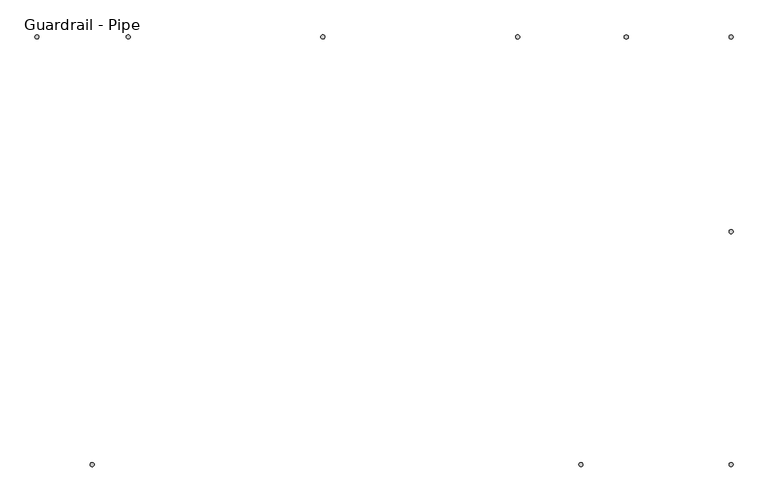
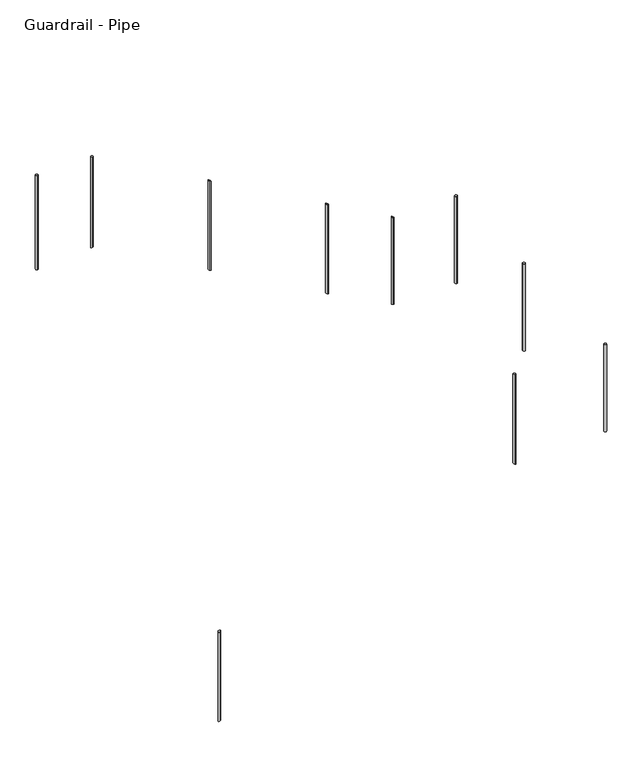
"""IFC4 building model written with IfcOpenShell, lengths in millimetres: railing geometry, Guardrail - Pipe."""

from ifc_helpers import new_model, si_unit, point, frame, frame_2d, origin, place, context, project, spatial, circle_curve, ellipse_curve, trimmed, segment, composite_curve, outline, extrude, source, transform, mapped, element, save
from ifc_brep_helpers import plane_surface, cylinder_surface, advanced_brep


def guardrail_pipe_5d9dda6a(model_context):
    return source(origin(), model_context, "Body", "SolidModel", [
        extrude(outline(composite_curve([segment(trimmed(circle_curve(frame_2d((6728.7452881, -22302.0340928)), 12.7), [point((6716.0452881, -22302.0340928))], [point((6741.4452881, -22302.0340928))], False, "CARTESIAN"), True, "CONTINUOUS"), segment(trimmed(circle_curve(frame_2d((6728.7452881, -22302.0340928)), 12.7), [point((6741.4452881, -22302.0340928))], [point((6716.0452881, -22302.0340928))], False, "CARTESIAN"), True, "CONTINUOUS")], self_intersect=False)), frame((0.0, 0.0, 5946.9130435), z_axis=(0.0, 0.0, 1.0), x_axis=(1.0, 0.0, 0.0)), (0.0, 0.0, 1.0), 952.5),
        advanced_brep(
        [(5392.1904629, -21070.1340928, 7275.3978312), (5392.1904629, -21095.5340928, 7275.3978312), (5392.1904629, -21095.5340928, 6300.8777259), (5392.1904629, -21070.1340928, 6300.8777259)],
        [
            (0, 1, ellipse_curve(frame((5392.1904629, -21082.8340928, 7275.3978312), z_axis=(-0.4892060854708135, 0.0, -0.8721682211238398), x_axis=(-0.87216822112384, 0.0, 0.48920608547081335)), 14.5614111, 12.7)),
            (1, 2),
            (2, 3, ellipse_curve(frame((5392.1904629, -21082.8340928, 6300.8777259), z_axis=(0.4886065085000147, 0.0, 0.872504257784124), x_axis=(-0.872504257784124, 0.0, 0.4886065085000147)), 14.5558029, 12.7)),
            (3, 0),
            (3, 2, ellipse_curve(frame((5392.1904629, -21082.8340928, 6300.8777259), z_axis=(0.4886065085000147, 0.0, 0.872504257784124), x_axis=(-0.872504257784124, 0.0, 0.4886065085000147)), 14.5558029, 12.7)),
            (1, 0, ellipse_curve(frame((5392.1904629, -21082.8340928, 7275.3978312), z_axis=(-0.4892060854708135, 0.0, -0.8721682211238398), x_axis=(-0.87216822112384, 0.0, 0.48920608547081335)), 14.5614111, 12.7)),
        ],
        [
            cylinder_surface(frame((5392.1904629, -21082.8340928, 6072.2777259), z_axis=(0.0, 0.0, 1.0), x_axis=(0.0, -1.0, 0.0)), 12.7),
            plane_surface(frame((5417.5904629, -21108.2340928, 7261.1507694), z_axis=(0.4892060854708135, 0.0, 0.8721682211238398), x_axis=(0.0, 1.0, 0.0))),
            plane_surface(frame((5366.7904629, -21108.2340928, 6315.1018459), z_axis=(-0.4886065085000147, 0.0, -0.872504257784124), x_axis=(0.0, 1.0, 0.0))),
        ],
        [
            (0, [[1, 2, 3, 4]]),
            (0, [[5, -2, 6, -4]]),
            (1, [[-6, -1]]),
            (2, [[-5, -3]]),
        ],
    ),
        advanced_brep(
        [(4172.9904629, -21070.1340928, 7959.256799), (4172.9904629, -21095.5340928, 7959.256799), (4172.9904629, -21095.5340928, 6983.6354888), (4172.9904629, -21070.1340928, 6983.6354888)],
        [
            (0, 1, ellipse_curve(frame((4172.9904629, -21082.8340928, 7959.256799), z_axis=(-0.4892060854708135, 0.0, -0.8721682211238398), x_axis=(-0.87216822112384, 0.0, 0.48920608547081335)), 14.5614111, 12.7)),
            (1, 2),
            (2, 3, ellipse_curve(frame((4172.9904629, -21082.8340928, 6983.6354888), z_axis=(0.4886065085000147, 0.0, 0.872504257784124), x_axis=(-0.872504257784124, 0.0, 0.4886065085000147)), 14.5558029, 12.7)),
            (3, 0),
            (3, 2, ellipse_curve(frame((4172.9904629, -21082.8340928, 6983.6354888), z_axis=(0.4886065085000147, 0.0, 0.872504257784124), x_axis=(-0.872504257784124, 0.0, 0.4886065085000147)), 14.5558029, 12.7)),
            (1, 0, ellipse_curve(frame((4172.9904629, -21082.8340928, 7959.256799), z_axis=(-0.4892060854708135, 0.0, -0.8721682211238398), x_axis=(-0.87216822112384, 0.0, 0.48920608547081335)), 14.5614111, 12.7)),
        ],
        [
            cylinder_surface(frame((4172.9904629, -21082.8340928, 6755.0354888), z_axis=(0.0, 0.0, 1.0), x_axis=(0.0, -1.0, 0.0)), 12.7),
            plane_surface(frame((4198.3904629, -21108.2340928, 7945.0097372), z_axis=(0.4892060854708135, 0.0, 0.8721682211238398), x_axis=(0.0, 1.0, 0.0))),
            plane_surface(frame((4147.5904629, -21108.2340928, 6997.8596088), z_axis=(-0.4886065085000147, 0.0, -0.872504257784124), x_axis=(0.0, 1.0, 0.0))),
        ],
        [
            (0, [[1, 2, 3, 4]]),
            (0, [[5, -2, 6, -4]]),
            (1, [[-6, -1]]),
            (2, [[-5, -3]]),
        ],
    ),
        advanced_brep(
        [(5788.9452881, -23772.7087769, 6899.4130435), (5788.9452881, -23747.3087769, 6899.4130435), (5788.9452881, -23747.3087769, 5920.4633585), (5788.9452881, -23772.7087769, 5920.4633585)],
        [
            (0, 1, circle_curve(frame((5788.9452881, -23760.0087769, 6899.4130435), z_axis=(0.0, 0.0, -1.0), x_axis=(0.0, 1.0, 0.0)), 12.7)),
            (1, 2),
            (2, 3, ellipse_curve(frame((5788.9452881, -23760.0087769, 5920.4633585), z_axis=(0.4946584702428729, 0.0, 0.8690874511906044), x_axis=(-0.8690874511906046, 0.0, 0.49465847024287235)), 14.6130289, 12.7)),
            (3, 0),
            (3, 2, ellipse_curve(frame((5788.9452881, -23760.0087769, 5920.4633585), z_axis=(0.4946584702428729, 0.0, 0.8690874511906044), x_axis=(-0.8690874511906046, 0.0, 0.49465847024287235)), 14.6130289, 12.7)),
            (1, 0, circle_curve(frame((5788.9452881, -23760.0087769, 6899.4130435), z_axis=(0.0, 0.0, -1.0), x_axis=(0.0, 1.0, 0.0)), 12.7)),
        ],
        [
            cylinder_surface(frame((5788.9452881, -23760.0087769, 5691.8633585), z_axis=(0.0, 0.0, 1.0), x_axis=(0.0, 1.0, 0.0)), 12.7),
            plane_surface(frame((5763.5452881, -23734.6087769, 6899.4130435), z_axis=(0.0, 0.0, 1.0), x_axis=(0.0, -1.0, 0.0))),
            plane_surface(frame((5814.3452881, -23734.6087769, 5906.0064415), z_axis=(-0.4946584702428729, 0.0, -0.8690874511906044), x_axis=(0.0, -1.0, 0.0))),
        ],
        [
            (0, [[1, 2, 3, 4]]),
            (0, [[5, -2, 6, -4]]),
            (1, [[-6, -1]]),
            (2, [[-5, -3]]),
        ],
    ),
        extrude(outline(composite_curve([segment(trimmed(circle_curve(frame_2d((6728.7452881, -23760.0087769)), 12.7), [point((6716.0452881, -23760.0087769))], [point((6741.4452881, -23760.0087769))], False, "CARTESIAN"), True, "CONTINUOUS"), segment(trimmed(circle_curve(frame_2d((6728.7452881, -23760.0087769)), 12.7), [point((6741.4452881, -23760.0087769))], [point((6716.0452881, -23760.0087769))], False, "CARTESIAN"), True, "CONTINUOUS")], self_intersect=False)), frame((0.0, 0.0, 5946.9130435), z_axis=(0.0, 0.0, 1.0), x_axis=(1.0, 0.0, 0.0)), (0.0, 0.0, 1.0), 952.5),
        extrude(outline(composite_curve([segment(trimmed(circle_curve(frame_2d((6728.7452881, -21082.8340928)), 12.7), [point((6728.7452881, -21095.5340928))], [point((6728.7452881, -21070.1340928))], False, "CARTESIAN"), True, "CONTINUOUS"), segment(trimmed(circle_curve(frame_2d((6728.7452881, -21082.8340928)), 12.7), [point((6728.7452881, -21070.1340928))], [point((6728.7452881, -21095.5340928))], False, "CARTESIAN"), True, "CONTINUOUS")], self_intersect=False)), frame((0.0, 0.0, 5946.9130435), z_axis=(0.0, 0.0, 1.0), x_axis=(1.0, 0.0, 0.0)), (0.0, 0.0, 1.0), 952.5),
        advanced_brep(
        [(6072.4607706, -21070.1340928, 6893.8288102), (6072.4607706, -21095.5340928, 6893.8288102), (6072.4607706, -21095.5340928, 5946.9130435), (6072.4607706, -21070.1340928, 5946.9130435)],
        [
            (0, 1, ellipse_curve(frame((6072.4607706, -21082.8340928, 6893.8288102), z_axis=(-0.4892060854708135, 0.0, -0.8721682211238398), x_axis=(-0.87216822112384, 0.0, 0.48920608547081335)), 14.5614111, 12.7)),
            (1, 2),
            (2, 3, circle_curve(frame((6072.4607706, -21082.8340928, 5946.9130435), z_axis=(0.0, 0.0, 1.0), x_axis=(0.0, -1.0, 0.0)), 12.7)),
            (3, 0),
            (3, 2, circle_curve(frame((6072.4607706, -21082.8340928, 5946.9130435), z_axis=(0.0, 0.0, 1.0), x_axis=(0.0, -1.0, 0.0)), 12.7)),
            (1, 0, ellipse_curve(frame((6072.4607706, -21082.8340928, 6893.8288102), z_axis=(-0.4892060854708135, 0.0, -0.8721682211238398), x_axis=(-0.87216822112384, 0.0, 0.48920608547081335)), 14.5614111, 12.7)),
        ],
        [
            cylinder_surface(frame((6072.4607706, -21082.8340928, 5718.3130435), z_axis=(0.0, 0.0, 1.0), x_axis=(0.0, -1.0, 0.0)), 12.7),
            plane_surface(frame((6097.8607706, -21108.2340928, 6879.5817484), z_axis=(0.4892060854708135, 0.0, 0.8721682211238398), x_axis=(0.0, 1.0, 0.0))),
            plane_surface(frame((6047.0607706, -21108.2340928, 5946.9130435), z_axis=(0.0, 0.0, -1.0), x_axis=(0.0, 1.0, 0.0))),
        ],
        [
            (0, [[1, 2, 3, 4]]),
            (0, [[5, -2, 6, -4]]),
            (1, [[-6, -1]]),
            (2, [[-5, -3]]),
        ],
    ),
        advanced_brep(
        [(2953.7904629, -21070.1340928, 8648.7), (2953.7904629, -21095.5340928, 8648.7), (2953.7904629, -21095.5340928, 7666.3932517), (2953.7904629, -21070.1340928, 7666.3932517)],
        [
            (0, 1, circle_curve(frame((2953.7904629, -21082.8340928, 8648.7), z_axis=(0.0, 0.0, -1.0), x_axis=(0.0, -1.0, 0.0)), 12.7)),
            (1, 2),
            (2, 3, ellipse_curve(frame((2953.7904629, -21082.8340928, 7666.3932517), z_axis=(-0.48860650850001475, 0.0, 0.872504257784124), x_axis=(0.8725042577841241, 0.0, 0.4886065085000147)), 14.5558029, 12.7)),
            (3, 0),
            (3, 2, ellipse_curve(frame((2953.7904629, -21082.8340928, 7666.3932517), z_axis=(-0.48860650850001475, 0.0, 0.872504257784124), x_axis=(0.8725042577841241, 0.0, 0.4886065085000147)), 14.5558029, 12.7)),
            (1, 0, circle_curve(frame((2953.7904629, -21082.8340928, 8648.7), z_axis=(0.0, 0.0, -1.0), x_axis=(0.0, -1.0, 0.0)), 12.7)),
        ],
        [
            cylinder_surface(frame((2953.7904629, -21082.8340928, 7437.7932517), z_axis=(0.0, 0.0, 1.0), x_axis=(0.0, -1.0, 0.0)), 12.7),
            plane_surface(frame((2979.1904629, -21108.2340928, 8648.7), z_axis=(0.0, 0.0, 1.0), x_axis=(0.0, 1.0, 0.0))),
            plane_surface(frame((2928.3904629, -21108.2340928, 7652.1691316), z_axis=(0.48860650850001475, 0.0, -0.872504257784124), x_axis=(0.0, 1.0, 0.0))),
        ],
        [
            (0, [[1, 2, 3, 4]]),
            (0, [[5, -2, 6, -4]]),
            (1, [[-6, -1]]),
            (2, [[-5, -3]]),
        ],
    ),
        advanced_brep(
        [(2728.2452881, -23772.7087769, 5151.6154589), (2728.2452881, -23747.3087769, 5151.6154589), (2728.2452881, -23747.3087769, 4178.4048605), (2728.2452881, -23772.7087769, 4178.4048605)],
        [
            (0, 1, ellipse_curve(frame((2728.2452881, -23760.0087769, 5151.6154589), z_axis=(0.49465847024287474, 0.0, -0.8690874511906033), x_axis=(0.8690874511906034, 0.0, 0.4946584702428743)), 14.6130289, 12.7)),
            (1, 2),
            (2, 3, ellipse_curve(frame((2728.2452881, -23760.0087769, 4178.4048605), z_axis=(-0.49465847024287274, 0.0, 0.8690874511906044), x_axis=(0.8690874511906044, 0.0, 0.49465847024287246)), 14.6130289, 12.7)),
            (3, 0),
            (3, 2, ellipse_curve(frame((2728.2452881, -23760.0087769, 4178.4048605), z_axis=(-0.49465847024287274, 0.0, 0.8690874511906044), x_axis=(0.8690874511906044, 0.0, 0.49465847024287246)), 14.6130289, 12.7)),
            (1, 0, ellipse_curve(frame((2728.2452881, -23760.0087769, 5151.6154589), z_axis=(0.49465847024287474, 0.0, -0.8690874511906033), x_axis=(0.8690874511906034, 0.0, 0.4946584702428743)), 14.6130289, 12.7)),
        ],
        [
            cylinder_surface(frame((2728.2452881, -23760.0087769, 3949.8048605), z_axis=(0.0, 0.0, 1.0), x_axis=(0.0, 1.0, 0.0)), 12.7),
            plane_surface(frame((2702.8452881, -23734.6087769, 5137.1585419), z_axis=(-0.49465847024287474, 0.0, 0.8690874511906033), x_axis=(0.0, -1.0, 0.0))),
            plane_surface(frame((2753.6452881, -23734.6087769, 4192.8617775), z_axis=(0.49465847024287274, 0.0, -0.8690874511906044), x_axis=(0.0, -1.0, 0.0))),
        ],
        [
            (0, [[1, 2, 3, 4]]),
            (0, [[5, -2, 6, -4]]),
            (1, [[-6, -1]]),
            (2, [[-5, -3]]),
        ],
    ),
        extrude(outline(composite_curve([segment(trimmed(circle_curve(frame_2d((2382.2904629, -21082.8340928)), 12.7), [point((2382.2904629, -21095.5340928))], [point((2382.2904629, -21070.1340928))], False, "CARTESIAN"), True, "CONTINUOUS"), segment(trimmed(circle_curve(frame_2d((2382.2904629, -21082.8340928)), 12.7), [point((2382.2904629, -21070.1340928))], [point((2382.2904629, -21095.5340928))], False, "CARTESIAN"), True, "CONTINUOUS")], self_intersect=False)), frame((0.0, 0.0, 7620.0), z_axis=(0.0, 0.0, 1.0), x_axis=(1.0, 0.0, 0.0)), (0.0, 0.0, 1.0), 1028.7),
    ])


if __name__ == "__main__":
    model = new_model("IFC4")
    model_context = context("Model", 3, world=origin())
    ifc_project = project(units=[si_unit("LENGTHUNIT", "METRE", prefix="MILLI")], contexts=[model_context])
    site = spatial("IfcSite", under=ifc_project)
    building = spatial("IfcBuilding", under=site)
    placement = place(None, origin())
    guardrail_pipe_shape = guardrail_pipe_5d9dda6a(model_context)
    element("IfcRailing", 1, ObjectType="Guardrail - Pipe", at=placement, inside=building, context=model_context, shape_type="MappedRepresentation", body=[
        mapped(guardrail_pipe_shape, transform((0.0, 0.0, 0.0), x_axis=(1.0, 0.0, 0.0), y_axis=(0.0, 1.0, 0.0), z_axis=(0.0, 0.0, 1.0))),
    ])
    save(model, "model.ifc")
